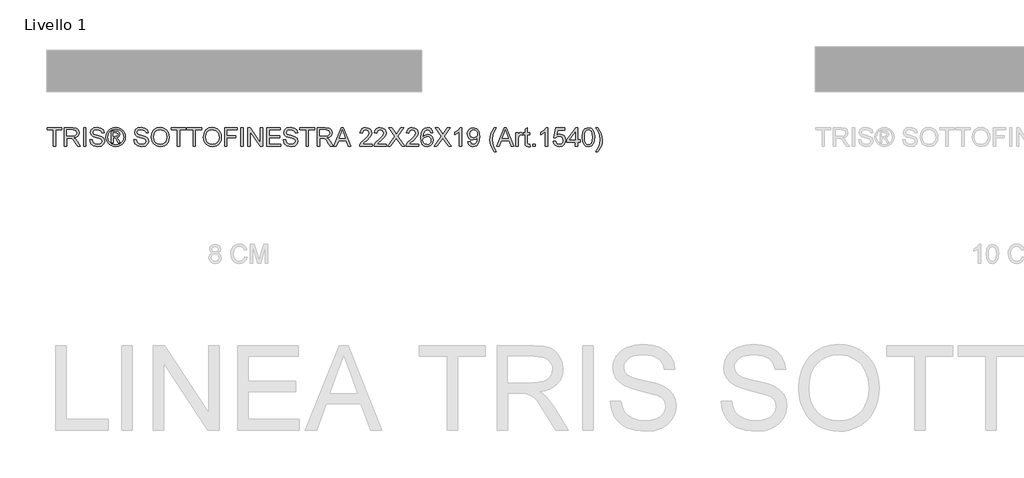
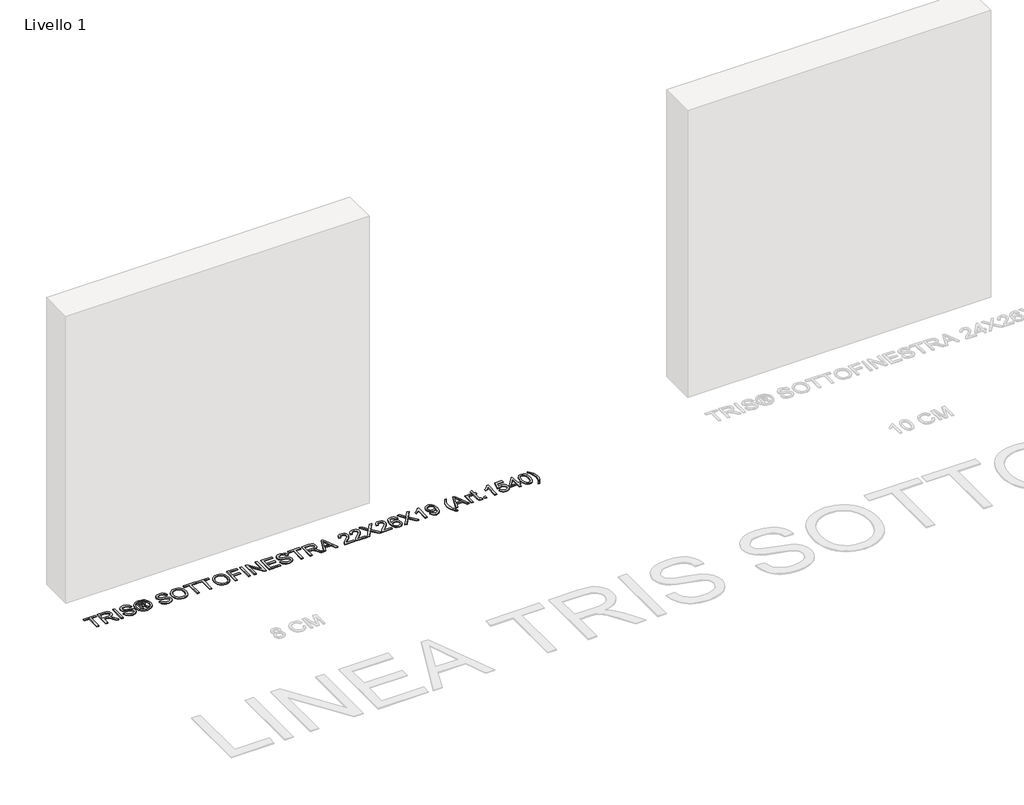
# One storey, part 13 of 19: 1 proxy.
"""IFC4 building model written with IfcOpenShell, lengths in millimetres."""

import ifcopenshell
import ifcopenshell.guid

model = None  # the IFC model being written
_history = None  # IfcOwnerHistory: only IFC2X3 demands one
_inside = {}  # id of a spatial element -> (the spatial element, [elements in it])
_under = {}  # id of a project, library or spatial element -> (it, [spatial elements below it])
_declared = {}  # id of a project -> (the project, [libraries it declares])
_typed = {}  # id of a type object -> (the type object, [elements of that type])
_made_of = {}  # id of a material, layer set ... -> (it, [elements and type objects made of it])


def new_model(schema):
    """Start an empty IFC model of exactly this schema.

    Asked for "IFC4X3", IfcOpenShell would pick the latest addendum, in which some entities
    have other attributes; the version numbers below select the first issue.
    IFC2X3 requires an IfcOwnerHistory on every rooted entity: one is made here for all.
    """
    global model, _history
    if schema == "IFC4X3":
        model = ifcopenshell.file(schema_version=(4, 3, 0, 0))
    else:
        model = ifcopenshell.file(schema=schema)
    _inside.clear()
    _under.clear()
    _declared.clear()
    _typed.clear()
    _made_of.clear()
    _history = None
    if model.schema == "IFC2X3":
        org = make("IfcOrganization", Name="unknown")
        user = make(
            "IfcPersonAndOrganization",
            ThePerson=make("IfcPerson", FamilyName="unknown"),
            TheOrganization=org,
        )
        app = make(
            "IfcApplication",
            ApplicationDeveloper=org,
            Version="unknown",
            ApplicationFullName="unknown",
            ApplicationIdentifier="unknown",
        )
        _history = make(
            "IfcOwnerHistory",
            OwningUser=user,
            OwningApplication=app,
            ChangeAction="ADDED",
            CreationDate=0,
        )
    return model


def make(cls, **values):
    """One entity of the class cls with the attributes given. An attribute that is None is left unset."""
    return model.create_entity(
        cls, **{name: value for name, value in values.items() if value is not None}
    )


def rooted(cls, **values):
    """An entity with a GlobalId (a new one), such as an element, a storey or a relation."""
    return make(cls, GlobalId=ifcopenshell.guid.new(), OwnerHistory=_history, **values)


def si_unit(unit_type, name, prefix=None):
    """IfcSIUnit, for example si_unit("LENGTHUNIT", "METRE", prefix="MILLI")."""
    return make("IfcSIUnit", UnitType=unit_type, Prefix=prefix, Name=name)


def assignment(units):
    """IfcUnitAssignment: the units of a project."""
    return None if units is None else make("IfcUnitAssignment", Units=units)


def point(xyz):
    """IfcCartesianPoint."""
    return None if xyz is None else make("IfcCartesianPoint", Coordinates=xyz)


def direction(xyz):
    """IfcDirection."""
    return None if xyz is None else make("IfcDirection", DirectionRatios=xyz)


def frame(location, z_axis=None, x_axis=None):
    """IfcAxis2Placement3D, a coordinate frame: its origin and axes. An axis left out is left unset."""
    return make(
        "IfcAxis2Placement3D",
        Location=point(location),
        Axis=direction(z_axis),
        RefDirection=direction(x_axis),
    )


def origin():
    """The frame at (0, 0, 0) with its axes left unset."""
    return frame((0.0, 0.0, 0.0))


def origin_with_axes():
    """The frame at (0, 0, 0) with the z axis (0, 0, 1) and the x axis (1, 0, 0) written out."""
    return frame((0.0, 0.0, 0.0), z_axis=(0.0, 0.0, 1.0), x_axis=(1.0, 0.0, 0.0))


def place(relative_to, where):
    """IfcLocalPlacement: puts the frame where relative to a parent placement (None: the world)."""
    return make(
        "IfcLocalPlacement", PlacementRelTo=relative_to, RelativePlacement=where
    )


def context(
    kind, dimensions, precision=None, world=None, true_north=None, identifier=None
):
    """IfcGeometricRepresentationContext, for example the 3D "Model" context."""
    return make(
        "IfcGeometricRepresentationContext",
        ContextIdentifier=identifier,
        ContextType=kind,
        CoordinateSpaceDimension=dimensions,
        Precision=precision,
        WorldCoordinateSystem=world,
        TrueNorth=true_north,
    )


def project(units=None, contexts=None):
    """IfcProject with its units and contexts."""
    return rooted(
        "IfcProject",
        Name="project",
        RepresentationContexts=contexts,
        UnitsInContext=assignment(units),
    )


def spatial(cls, under=None, at=None, **own):
    """A site, building, storey or space (cls), placed at a placement, below another one or the project."""
    s = rooted(cls, ObjectPlacement=at, **own)
    if under is not None:
        _under.setdefault(under.id(), (under, []))[1].append(s)
    return s


def polyline(points):
    """IfcPolyline through the points."""
    return make("IfcPolyline", Points=[point(p) for p in points])


def outline(outer, holes=None, kind="AREA"):
    """IfcArbitraryClosedProfileDef: a profile drawn as a closed curve; with holes, ...WithVoids."""
    if holes is None:
        return make("IfcArbitraryClosedProfileDef", ProfileType=kind, OuterCurve=outer)
    return make(
        "IfcArbitraryProfileDefWithVoids",
        ProfileType=kind,
        OuterCurve=outer,
        InnerCurves=holes,
    )


def extrude(swept, where, along, depth):
    """IfcExtrudedAreaSolid: the profile swept, set in the frame where, extruded along a direction by depth."""
    return make(
        "IfcExtrudedAreaSolid",
        SweptArea=swept,
        Position=where,
        ExtrudedDirection=direction(along),
        Depth=depth,
    )


def shape(context_of_items, identifier, shape_type, items):
    """IfcShapeRepresentation: the items that make up one representation, for example the "Body"."""
    return make(
        "IfcShapeRepresentation",
        ContextOfItems=context_of_items,
        RepresentationIdentifier=identifier,
        RepresentationType=shape_type,
        Items=items,
    )


def made_of(thing, what):
    """Note that an element or type object is made of a material, layer set ...; save() writes the relation."""
    if what is not None:
        _made_of.setdefault(what.id(), (what, []))[1].append(thing)
    return thing


def element(
    cls,
    number,
    at=None,
    inside=None,
    cuts=None,
    type_object=None,
    material=None,
    context=None,
    identifier="Body",
    shape_type=None,
    held_by="IfcProductDefinitionShape",
    body=None,
    shapes=None,
    **own,
):
    """One element of the class cls, such as IfcWall. Its Tag is "e" and its number.

    at: its placement. inside: the storey or other place that contains it. cuts: it is an
    opening in that element (IfcRelVoidsElement). A single representation is given by context,
    identifier, shape_type and body (its items); several are given by shapes. held_by: the class
    of the entity that holds the representations. save() writes the other relations.
    """
    e = rooted(cls, Tag="e%d" % number, ObjectPlacement=at, **own)
    if body is not None:
        shapes = [shape(context, identifier, shape_type, body)]
    if shapes is not None:
        e.Representation = make(held_by, Representations=shapes)
    if inside is not None:
        _inside.setdefault(inside.id(), (inside, []))[1].append(e)
    if cuts is not None:
        rooted(
            "IfcRelVoidsElement", RelatingBuildingElement=cuts, RelatedOpeningElement=e
        )
    if type_object is not None:
        _typed.setdefault(type_object.id(), (type_object, []))[1].append(e)
    return made_of(e, material)


def aggregate(whole, parts):
    """IfcRelAggregates: a whole, such as a stair, and the parts it consists of."""
    return rooted("IfcRelAggregates", RelatingObject=whole, RelatedObjects=parts)


def save(model, path):
    """Write the relations noted so far, then the file.

    IfcRelAggregates (storeys below a building ...), IfcRelContainedInSpatialStructure (elements
    in a storey), IfcRelDefinesByType, IfcRelAssociatesMaterial and IfcRelDeclares: one each for
    every whole, place, type object, material and project.
    """
    for whole, parts in _under.values():
        aggregate(whole, parts)
    for where, things in _inside.values():
        rooted(
            "IfcRelContainedInSpatialStructure",
            RelatedElements=things,
            RelatingStructure=where,
        )
    for kind, things in _typed.values():
        rooted("IfcRelDefinesByType", RelatedObjects=things, RelatingType=kind)
    for what, things in _made_of.values():
        rooted("IfcRelAssociatesMaterial", RelatedObjects=things, RelatingMaterial=what)
    for by, libraries in _declared.values():
        rooted("IfcRelDeclares", RelatingContext=by, RelatedDefinitions=libraries)
    model.write(path)


model = new_model("IFC4")

# Units and contexts
model_context = context("Model", 3, world=origin())
ifc_project = project(units=[si_unit("LENGTHUNIT", "METRE", prefix="MILLI")], contexts=[model_context])

# Site, building, storey
site = spatial("IfcSite", under=ifc_project)
building = spatial("IfcBuilding", under=site)
storey = spatial("IfcBuildingStorey", under=building, Name="Livello 1", Elevation=0.0)

# Proxy
placement = place(None, origin())
element("IfcBuildingElementProxy", 1, Name="100", ObjectType="100", at=placement, inside=storey, context=model_context, shape_type="SweptSolid", body=[
    extrude(outline(polyline([(-5200.6104208, 5626.2547253), (-5200.6104208, 5714.1539967), (-5233.5726476, 5714.1539967), (-5233.5726476, 5726.7110355), (-5155.0911553, 5726.7110355), (-5155.0911553, 5714.1539967), (-5188.053382, 5714.1539967), (-5188.053382, 5626.2547253), (-5200.6104208, 5626.2547253)])), origin_with_axes(), (0.0, 0.0, 1.0), 5.0),
    extrude(outline(polyline([(-5140.9644866, 5626.2547253), (-5140.9644866, 5726.7110355), (-5097.6770385, 5726.7110355), (-5077.5784189, 5724.0009714), (-5066.59101, 5714.4115141), (-5062.4829943, 5699.2179877), (-5064.1844486, 5689.321962), (-5069.2888112, 5681.1181935), (-5077.9493666, 5675.1033229), (-5090.3193986, 5671.7739909), (-5083.1824879, 5666.4029137), (-5073.0044194, 5653.477993), (-5056.2535259, 5626.2547253), (-5070.8461784, 5626.2547253), (-5083.9182519, 5647.0768463), (-5093.3605565, 5660.8601583), (-5099.9946951, 5667.3716697), (-5105.9666462, 5669.7629026), (-5113.2507097, 5670.204361), (-5128.4074479, 5670.204361), (-5128.4074479, 5626.2547253), (-5140.9644866, 5626.2547253)]), holes=[polyline([(-5128.4074479, 5682.7613998), (-5100.3012634, 5682.7613998), (-5085.9661284, 5684.5394961), (-5077.8236735, 5690.2294043), (-5075.0400331, 5698.7520038), (-5080.3497966, 5709.8129892), (-5097.1374783, 5714.1539967), (-5128.4074479, 5714.1539967), (-5128.4074479, 5682.7613998)])]), origin_with_axes(), (0.0, 0.0, 1.0), 5.0),
    extrude(outline(polyline([(-5038.9385466, 5626.2547253), (-5038.9385466, 5726.7110355), (-5026.3815079, 5726.7110355), (-5026.3815079, 5626.2547253), (-5038.9385466, 5626.2547253)])), origin_with_axes(), (0.0, 0.0, 1.0), 5.0),
    extrude(outline(polyline([(-5005.9763199, 5660.7865819), (-4993.4192811, 5660.7865819), (-4989.3725792, 5648.2172804), (-4979.4888162, 5640.2710293), (-4964.4301799, 5637.2421342), (-4951.3090554, 5639.5352654), (-4942.8355068, 5645.8383102), (-4940.0518663, 5654.2628079), (-4942.136531, 5662.0986944), (-4950.6713933, 5667.8008653), (-4968.9551284, 5672.595594), (-4988.6368152, 5678.7882742), (-4999.3176558, 5688.1324769), (-5002.8370602, 5700.6159393), (-4998.4837899, 5714.828447), (-4985.7673356, 5724.8593628), (-4967.1525067, 5728.2806653), (-4947.2868789, 5724.6999472), (-4934.0431271, 5714.1785222), (-4929.0644574, 5698.4576982), (-4941.6214962, 5698.4576982), (-4943.92689, 5705.9502282), (-4948.7338814, 5711.3580935), (-4966.6619973, 5715.7236266), (-4984.6391642, 5711.4071445), (-4990.2800214, 5700.9838213), (-4986.2823704, 5692.2772807), (-4965.7790805, 5685.2629974), (-4943.559008, 5678.9599525), (-4931.4066395, 5668.781884), (-4927.4948276, 5654.581639), (-4931.9952506, 5639.5597908), (-4944.9446969, 5628.5969074), (-4963.9396706, 5624.6850955), (-4986.3682095, 5628.9034757), (-5000.5561918, 5641.6076673), (-5005.9763199, 5660.7865819)])), origin_with_axes(), (0.0, 0.0, 1.0), 5.0),
    extrude(outline(polyline([(-4891.3933411, 5645.0902835), (-4891.3933411, 5707.8754773), (-4871.1107804, 5707.8754773), (-4856.0521441, 5706.1464319), (-4848.6331905, 5700.1131672), (-4845.8740756, 5690.9529055), (-4850.632016, 5679.0335289), (-4863.2381058, 5673.3436207), (-4858.3330125, 5670.0081573), (-4849.7736247, 5657.475644), (-4842.7348159, 5645.0902835), (-4853.3298173, 5645.0902835), (-4858.8480473, 5655.0476228), (-4868.0941481, 5669.468597), (-4876.1139756, 5671.7739909), (-4881.975562, 5671.7739909), (-4881.975562, 5645.0902835), (-4891.3933411, 5645.0902835)]), holes=[polyline([(-4881.975562, 5681.1917699), (-4870.0561854, 5681.1917699), (-4858.4065889, 5683.5830029), (-4855.2918547, 5689.922836), (-4856.7879081, 5694.4845727), (-4860.9449746, 5697.4766796), (-4870.8164749, 5698.4576982), (-4881.975562, 5698.4576982), (-4881.975562, 5681.1917699)])]), origin_with_axes(), (0.0, 0.0, 1.0), 5.0),
    extrude(outline(polyline([(-4867.824368, 5728.2806653), (-4854.930104, 5726.6068022), (-4842.3424084, 5721.585213), (-4831.2844888, 5713.4488896), (-4822.9795527, 5702.4308238), (-4817.7832196, 5689.7082381), (-4816.0511085, 5676.4583549), (-4817.7586941, 5663.3249677), (-4822.8814509, 5650.7066153), (-4831.0852194, 5639.7284034), (-4842.0358401, 5631.5154379), (-4854.6449955, 5626.3926811), (-4867.824368, 5624.6850955), (-4880.9853463, 5626.3926811), (-4893.5883704, 5631.5154379), (-4904.5481881, 5639.7284034), (-4912.7795478, 5650.7066153), (-4917.9298957, 5663.3249677), (-4919.6466783, 5676.4583549), (-4917.9053702, 5689.7082381), (-4912.6814459, 5702.4308238), (-4904.3489187, 5713.4488896), (-4893.281802, 5721.585213), (-4880.7002378, 5726.6068022), (-4867.824368, 5728.2806653)]), holes=[polyline([(-4867.824368, 5718.8628862), (-4888.6464889, 5713.3814445), (-4897.6749262, 5706.7197147), (-4904.5022029, 5697.6974088), (-4910.2288993, 5676.4583549), (-4904.6125675, 5655.4032421), (-4888.8917435, 5639.7192064), (-4867.824368, 5634.1028746), (-4846.7447296, 5639.7192064), (-4831.0606939, 5655.4032421), (-4825.4688876, 5676.4583549), (-4831.1587958, 5697.6974088), (-4837.9676784, 5706.7197147), (-4847.0145098, 5713.3814445), (-4867.824368, 5718.8628862)])]), origin_with_axes(), (0.0, 0.0, 1.0), 5.0),
    extrude(outline(polyline([(-4770.531843, 5660.7865819), (-4757.9748042, 5660.7865819), (-4753.9281023, 5648.2172804), (-4744.0443393, 5640.2710293), (-4728.985703, 5637.2421342), (-4715.8645785, 5639.5352654), (-4707.3910299, 5645.8383102), (-4704.6073894, 5654.2628079), (-4706.6920541, 5662.0986944), (-4715.2269164, 5667.8008653), (-4733.5106515, 5672.595594), (-4753.1923383, 5678.7882742), (-4763.8731789, 5688.1324769), (-4767.3925833, 5700.6159393), (-4763.039313, 5714.828447), (-4750.3228587, 5724.8593628), (-4731.7080297, 5728.2806653), (-4711.842402, 5724.6999472), (-4698.5986502, 5714.1785222), (-4693.6199805, 5698.4576982), (-4706.1770193, 5698.4576982), (-4708.4824131, 5705.9502282), (-4713.2894045, 5711.3580935), (-4731.2175204, 5715.7236266), (-4749.1946872, 5711.4071445), (-4754.8355445, 5700.9838213), (-4750.8378935, 5692.2772807), (-4730.3346036, 5685.2629974), (-4708.1145311, 5678.9599525), (-4695.9621625, 5668.781884), (-4692.0503507, 5654.581639), (-4696.5507737, 5639.5597908), (-4709.50022, 5628.5969074), (-4728.4951937, 5624.6850955), (-4750.9237326, 5628.9034757), (-4765.1117149, 5641.6076673), (-4770.531843, 5660.7865819)])), origin_with_axes(), (0.0, 0.0, 1.0), 5.0),
    extrude(outline(polyline([(-4677.923682, 5675.1585052), (-4674.5759559, 5697.3724464), (-4664.5327774, 5714.1785222), (-4649.1982296, 5724.7551295), (-4629.9763953, 5728.2806653), (-4616.8000885, 5726.6251963), (-4604.9849451, 5721.6587894), (-4595.1747586, 5713.7309324), (-4588.0133224, 5703.1911133), (-4583.6355267, 5690.5482354), (-4582.1762614, 5676.3112021), (-4583.7121688, 5661.8840966), (-4588.3198908, 5649.063409), (-4595.7449757, 5638.5051958), (-4605.7329719, 5630.865513), (-4617.4469477, 5626.2301999), (-4630.0499717, 5624.6850955), (-4643.4286136, 5626.3926811), (-4655.3112021, 5631.5154379), (-4665.0968631, 5639.5904477), (-4672.1847229, 5650.1547923), (-4677.923682, 5675.1585052)]), holes=[polyline([(-4665.3666433, 5675.0358779), (-4662.8558487, 5659.3211853), (-4655.3234648, 5647.3466264), (-4644.0018964, 5639.7682573), (-4630.1235481, 5637.2421342), (-4616.0428648, 5639.7927827), (-4604.7029023, 5647.4447282), (-4597.2257007, 5659.7871692), (-4594.7333002, 5676.409304), (-4599.0007313, 5697.1333231), (-4611.471931, 5710.8553215), (-4629.9028189, 5715.7236266), (-4643.4102195, 5713.3783788), (-4654.8942691, 5706.3426357), (-4662.7485497, 5693.8254508), (-4665.3666433, 5675.0358779)])]), origin_with_axes(), (0.0, 0.0, 1.0), 5.0),
    extrude(outline(polyline([(-4539.7962556, 5626.2547253), (-4539.7962556, 5714.1539967), (-4572.7584824, 5714.1539967), (-4572.7584824, 5726.7110355), (-4494.2769901, 5726.7110355), (-4494.2769901, 5714.1539967), (-4527.2392168, 5714.1539967), (-4527.2392168, 5626.2547253), (-4539.7962556, 5626.2547253)])), origin_with_axes(), (0.0, 0.0, 1.0), 5.0),
    extrude(outline(polyline([(-4455.0362439, 5626.2547253), (-4455.0362439, 5714.1539967), (-4487.9984707, 5714.1539967), (-4487.9984707, 5726.7110355), (-4409.5169784, 5726.7110355), (-4409.5169784, 5714.1539967), (-4442.4792051, 5714.1539967), (-4442.4792051, 5626.2547253), (-4455.0362439, 5626.2547253)])), origin_with_axes(), (0.0, 0.0, 1.0), 5.0),
    extrude(outline(polyline([(-4400.0991993, 5675.1585052), (-4396.7514731, 5697.3724464), (-4386.7082947, 5714.1785222), (-4371.3737468, 5724.7551295), (-4352.1519126, 5728.2806653), (-4338.9756058, 5726.6251963), (-4327.1604624, 5721.6587894), (-4317.3502758, 5713.7309324), (-4310.1888397, 5703.1911133), (-4305.8110439, 5690.5482354), (-4304.3517787, 5676.3112021), (-4305.887686, 5661.8840966), (-4310.495408, 5649.063409), (-4317.9204929, 5638.5051958), (-4327.9084891, 5630.865513), (-4339.622465, 5626.2301999), (-4352.225489, 5624.6850955), (-4365.6041309, 5626.3926811), (-4377.4867193, 5631.5154379), (-4387.2723804, 5639.5904477), (-4394.3602402, 5650.1547923), (-4400.0991993, 5675.1585052)]), holes=[polyline([(-4387.5421605, 5675.0358779), (-4385.0313659, 5659.3211853), (-4377.4989821, 5647.3466264), (-4366.1774137, 5639.7682573), (-4352.2990654, 5637.2421342), (-4338.218382, 5639.7927827), (-4326.8784195, 5647.4447282), (-4319.401218, 5659.7871692), (-4316.9088174, 5676.409304), (-4321.1762486, 5697.1333231), (-4333.6474482, 5710.8553215), (-4352.0783362, 5715.7236266), (-4365.5857368, 5713.3783788), (-4377.0697864, 5706.3426357), (-4384.924067, 5693.8254508), (-4387.5421605, 5675.0358779)])]), origin_with_axes(), (0.0, 0.0, 1.0), 5.0),
    extrude(outline(polyline([(-4287.0858504, 5626.2547253), (-4287.0858504, 5726.7110355), (-4219.591767, 5726.7110355), (-4219.591767, 5714.1539967), (-4274.5288116, 5714.1539967), (-4274.5288116, 5684.3310296), (-4227.4399162, 5684.3310296), (-4227.4399162, 5671.7739909), (-4274.5288116, 5671.7739909), (-4274.5288116, 5626.2547253), (-4287.0858504, 5626.2547253)])), origin_with_axes(), (0.0, 0.0, 1.0), 5.0),
    extrude(outline(polyline([(-4200.7562088, 5626.2547253), (-4200.7562088, 5726.7110355), (-4188.1991701, 5726.7110355), (-4188.1991701, 5626.2547253), (-4200.7562088, 5626.2547253)])), origin_with_axes(), (0.0, 0.0, 1.0), 5.0),
    extrude(outline(polyline([(-4163.0850925, 5626.2547253), (-4163.0850925, 5726.7110355), (-4149.645137, 5726.7110355), (-4097.160639, 5647.1258972), (-4097.160639, 5726.7110355), (-4084.6036002, 5726.7110355), (-4084.6036002, 5626.2547253), (-4098.0435558, 5626.2547253), (-4150.5280538, 5705.8643891), (-4150.5280538, 5626.2547253), (-4163.0850925, 5626.2547253)])), origin_with_axes(), (0.0, 0.0, 1.0), 5.0),
    extrude(outline(polyline([(-4062.6287824, 5626.2547253), (-4062.6287824, 5726.7110355), (-3990.4258095, 5726.7110355), (-3990.4258095, 5714.1539967), (-4050.0717436, 5714.1539967), (-4050.0717436, 5684.3310296), (-3993.5650692, 5684.3310296), (-3993.5650692, 5671.7739909), (-4050.0717436, 5671.7739909), (-4050.0717436, 5638.8117641), (-3988.8561796, 5638.8117641), (-3988.8561796, 5626.2547253), (-4062.6287824, 5626.2547253)])), origin_with_axes(), (0.0, 0.0, 1.0), 5.0),
    extrude(outline(polyline([(-3974.729511, 5660.7865819), (-3962.1724722, 5660.7865819), (-3958.1257703, 5648.2172804), (-3948.2420073, 5640.2710293), (-3933.183371, 5637.2421342), (-3920.0622465, 5639.5352654), (-3911.5886979, 5645.8383102), (-3908.8050575, 5654.2628079), (-3910.8897221, 5662.0986944), (-3919.4245844, 5667.8008653), (-3937.7083196, 5672.595594), (-3957.3900063, 5678.7882742), (-3968.0708469, 5688.1324769), (-3971.5902513, 5700.6159393), (-3967.236981, 5714.828447), (-3954.5205267, 5724.8593628), (-3935.9056978, 5728.2806653), (-3916.04007, 5724.6999472), (-3902.7963182, 5714.1785222), (-3897.8176485, 5698.4576982), (-3910.3746873, 5698.4576982), (-3912.6800811, 5705.9502282), (-3917.4870726, 5711.3580935), (-3935.4151884, 5715.7236266), (-3953.3923553, 5711.4071445), (-3959.0332125, 5700.9838213), (-3955.0355615, 5692.2772807), (-3934.5322717, 5685.2629974), (-3912.3121992, 5678.9599525), (-3900.1598306, 5668.781884), (-3896.2480187, 5654.581639), (-3900.7484418, 5639.5597908), (-3913.697888, 5628.5969074), (-3932.6928617, 5624.6850955), (-3955.1214007, 5628.9034757), (-3969.3093829, 5641.6076673), (-3974.729511, 5660.7865819)])), origin_with_axes(), (0.0, 0.0, 1.0), 5.0),
    extrude(outline(polyline([(-3852.298383, 5626.2547253), (-3852.298383, 5714.1539967), (-3885.2606098, 5714.1539967), (-3885.2606098, 5726.7110355), (-3806.7791175, 5726.7110355), (-3806.7791175, 5714.1539967), (-3839.7413442, 5714.1539967), (-3839.7413442, 5626.2547253), (-3852.298383, 5626.2547253)])), origin_with_axes(), (0.0, 0.0, 1.0), 5.0),
    extrude(outline(polyline([(-3792.6524489, 5626.2547253), (-3792.6524489, 5726.7110355), (-3749.3650008, 5726.7110355), (-3729.2663811, 5724.0009714), (-3718.2789722, 5714.4115141), (-3714.1709565, 5699.2179877), (-3715.8724108, 5689.321962), (-3720.9767735, 5681.1181935), (-3729.6373288, 5675.1033229), (-3742.0073609, 5671.7739909), (-3734.8704501, 5666.4029137), (-3724.6923816, 5653.477993), (-3707.9414881, 5626.2547253), (-3722.5341406, 5626.2547253), (-3735.6062141, 5647.0768463), (-3745.0485187, 5660.8601583), (-3751.6826573, 5667.3716697), (-3757.6546084, 5669.7629026), (-3764.9386719, 5670.204361), (-3780.0954101, 5670.204361), (-3780.0954101, 5626.2547253), (-3792.6524489, 5626.2547253)]), holes=[polyline([(-3780.0954101, 5682.7613998), (-3751.9892257, 5682.7613998), (-3737.6540906, 5684.5394961), (-3729.5116357, 5690.2294043), (-3726.7279953, 5698.7520038), (-3732.0377588, 5709.8129892), (-3748.8254405, 5714.1539967), (-3780.0954101, 5714.1539967), (-3780.0954101, 5682.7613998)])]), origin_with_axes(), (0.0, 0.0, 1.0), 5.0),
    extrude(outline(polyline([(-3703.8947862, 5626.2547253), (-3663.7956487, 5726.7110355), (-3653.1025454, 5726.7110355), (-3613.0034079, 5626.2547253), (-3626.2716852, 5626.2547253), (-3637.7741289, 5657.6473222), (-3679.1485906, 5657.6473222), (-3690.6265089, 5626.2547253), (-3703.8947862, 5626.2547253)]), holes=[polyline([(-3674.5378029, 5670.204361), (-3642.3603911, 5670.204361), (-3651.4102882, 5694.9015056), (-3658.449097, 5714.1539967), (-3664.7030909, 5697.0597467), (-3674.5378029, 5670.204361)])]), origin_with_axes(), (0.0, 0.0, 1.0), 5.0),
    extrude(outline(polyline([(-3500.7012975, 5638.8117641), (-3500.7012975, 5626.2547253), (-3566.625751, 5626.2547253), (-3565.2768504, 5634.9122149), (-3557.6494303, 5648.2418059), (-3541.9286064, 5662.7976702), (-3520.2480942, 5683.717893), (-3514.8279661, 5697.9426635), (-3519.9415258, 5709.4573699), (-3533.2956423, 5714.1539967), (-3547.2138444, 5709.5677345), (-3552.4990824, 5696.8880684), (-3565.0561212, 5698.4576982), (-3562.0118977, 5710.6039355), (-3555.4298756, 5719.4760229), (-3545.6534116, 5724.9022823), (-3533.0258621, 5726.7110355), (-3520.3063421, 5724.6999472), (-3510.5482722, 5718.6666825), (-3504.3402636, 5709.6535736), (-3502.2709273, 5698.7029529), (-3504.5027448, 5686.795839), (-3511.9216983, 5674.4840549), (-3529.9111279, 5657.2794403), (-3544.3566276, 5645.2006481), (-3550.0220103, 5638.8117641), (-3500.7012975, 5638.8117641)])), origin_with_axes(), (0.0, 0.0, 1.0), 5.0),
    extrude(outline(polyline([(-3423.789435, 5638.8117641), (-3423.789435, 5626.2547253), (-3489.7138886, 5626.2547253), (-3488.3649879, 5634.9122149), (-3480.7375679, 5648.2418059), (-3465.0167439, 5662.7976702), (-3443.3362317, 5683.717893), (-3437.9161036, 5697.9426635), (-3443.0296634, 5709.4573699), (-3456.3837798, 5714.1539967), (-3470.3019819, 5709.5677345), (-3475.5872199, 5696.8880684), (-3488.1442587, 5698.4576982), (-3485.1000352, 5710.6039355), (-3478.5180132, 5719.4760229), (-3468.7415492, 5724.9022823), (-3456.1139997, 5726.7110355), (-3443.3944797, 5724.6999472), (-3433.6364098, 5718.6666825), (-3427.4284011, 5709.6535736), (-3425.3590649, 5698.7029529), (-3427.5908823, 5686.795839), (-3435.0098359, 5674.4840549), (-3452.9992654, 5657.2794403), (-3467.4447651, 5645.2006481), (-3473.1101478, 5638.8117641), (-3423.789435, 5638.8117641)])), origin_with_axes(), (0.0, 0.0, 1.0), 5.0),
    extrude(outline(polyline([(-3417.5109156, 5626.2547253), (-3378.7852043, 5680.9955662), (-3411.2323963, 5726.7110355), (-3396.1737599, 5726.7110355), (-3377.9022875, 5700.9838213), (-3371.7463954, 5690.9529055), (-3364.5359083, 5701.1554995), (-3346.4606396, 5726.7110355), (-3331.1812741, 5726.7110355), (-3363.6284661, 5680.8484134), (-3324.9027547, 5626.2547253), (-3339.9613911, 5626.2547253), (-3365.7621817, 5662.6505174), (-3371.1332588, 5670.204361), (-3377.0438962, 5661.9147534), (-3402.2315501, 5626.2547253), (-3417.5109156, 5626.2547253)])), origin_with_axes(), (0.0, 0.0, 1.0), 5.0),
    extrude(outline(polyline([(-3252.6997818, 5638.8117641), (-3252.6997818, 5626.2547253), (-3318.6242353, 5626.2547253), (-3317.2753347, 5634.9122149), (-3309.6479147, 5648.2418059), (-3293.9270907, 5662.7976702), (-3272.2465785, 5683.717893), (-3266.8264504, 5697.9426635), (-3271.9400101, 5709.4573699), (-3285.2941266, 5714.1539967), (-3299.2123287, 5709.5677345), (-3304.4975667, 5696.8880684), (-3317.0546055, 5698.4576982), (-3314.010382, 5710.6039355), (-3307.4283599, 5719.4760229), (-3297.6518959, 5724.9022823), (-3285.0243464, 5726.7110355), (-3272.3048265, 5724.6999472), (-3262.5467565, 5718.6666825), (-3256.3387479, 5709.6535736), (-3254.2694116, 5698.7029529), (-3256.5012291, 5686.795839), (-3263.9201827, 5674.4840549), (-3281.9096122, 5657.2794403), (-3296.3551119, 5645.2006481), (-3302.0204946, 5638.8117641), (-3252.6997818, 5638.8117641)])), origin_with_axes(), (0.0, 0.0, 1.0), 5.0),
    extrude(outline(polyline([(-3175.7879193, 5700.0273281), (-3188.3449581, 5698.4576982), (-3193.1028986, 5708.9300724), (-3205.6844628, 5714.1539967), (-3217.0152283, 5711.1128389), (-3225.5868788, 5699.6962343), (-3229.1553341, 5677.3167463), (-3218.0820861, 5687.3353993), (-3204.3600876, 5690.609549), (-3192.7595421, 5688.3716002), (-3183.0229319, 5681.6577538), (-3176.4194501, 5671.3999775), (-3174.2182895, 5658.530239), (-3178.3630933, 5641.2029971), (-3189.7674352, 5628.9402639), (-3206.2240231, 5624.6850955), (-3220.4702533, 5627.5055241), (-3231.8163472, 5635.96681), (-3239.2383665, 5650.902819), (-3241.7123729, 5673.147417), (-3238.9655206, 5698.1572613), (-3230.724964, 5715.2576427), (-3219.4739063, 5723.8476873), (-3204.8996479, 5726.7110355), (-3193.8815821, 5724.9390705), (-3185.0585456, 5719.6231757), (-3178.8781281, 5711.1802839), (-3175.7879193, 5700.0273281)]), holes=[polyline([(-3229.1553341, 5658.7264428), (-3226.2490663, 5647.8493984), (-3218.5235444, 5639.9521983), (-3207.2050417, 5637.2421342), (-3198.9184998, 5638.6462172), (-3192.4039228, 5642.858466), (-3188.1824769, 5649.480342), (-3186.7753283, 5658.1133061), (-3188.1640828, 5666.3998481), (-3192.3303464, 5672.7182213), (-3198.955288, 5676.718938), (-3207.7200765, 5678.0525102), (-3222.9136029, 5672.7182213), (-3227.5949013, 5666.5531322), (-3229.1553341, 5658.7264428)])]), origin_with_axes(), (0.0, 0.0, 1.0), 5.0),
    extrude(outline(polyline([(-3169.5094, 5626.2547253), (-3130.7836886, 5680.9955662), (-3163.2308806, 5726.7110355), (-3148.1722442, 5726.7110355), (-3129.9007718, 5700.9838213), (-3123.7448798, 5690.9529055), (-3116.5343927, 5701.1554995), (-3098.459124, 5726.7110355), (-3083.1797584, 5726.7110355), (-3115.6269504, 5680.8484134), (-3076.901239, 5626.2547253), (-3091.9598754, 5626.2547253), (-3117.760666, 5662.6505174), (-3123.1317431, 5670.204361), (-3129.0423805, 5661.9147534), (-3154.2300344, 5626.2547253), (-3169.5094, 5626.2547253)])), origin_with_axes(), (0.0, 0.0, 1.0), 5.0),
    extrude(outline(polyline([(-3021.9641944, 5626.2547253), (-3034.5212332, 5626.2547253), (-3034.5212332, 5704.5400139), (-3046.4160844, 5696.0664653), (-3059.6353107, 5689.7266322), (-3059.6353107, 5701.5969579), (-3041.2289482, 5713.3446563), (-3030.0575983, 5726.7110355), (-3021.9641944, 5726.7110355), (-3021.9641944, 5626.2547253)])), origin_with_axes(), (0.0, 0.0, 1.0), 5.0),
    extrude(outline(polyline([(-2990.5715975, 5651.3688029), (-2978.0145587, 5652.9384327), (-2972.3737015, 5640.9577424), (-2961.6805981, 5637.2421342), (-2951.5147923, 5639.6333672), (-2944.6231363, 5646.0222512), (-2940.5151207, 5656.9360837), (-2938.7002362, 5671.5042107), (-2938.7738126, 5673.9567574), (-2948.8169911, 5664.4408764), (-2962.5880404, 5660.7865819), (-2974.0383675, 5663.0183994), (-2983.5695769, 5669.7138517), (-2989.9983147, 5680.0574671), (-2992.1412273, 5693.2337739), (-2989.8940815, 5706.8454077), (-2983.1526439, 5717.5139856), (-2973.026692, 5724.411773), (-2960.6260031, 5726.7110355), (-2942.7346754, 5721.4625857), (-2930.4228913, 5706.5020512), (-2926.2167738, 5678.3958668), (-2930.4106286, 5647.8984494), (-2935.6253558, 5637.9073875), (-2942.8818282, 5630.6202583), (-2951.8673459, 5626.1688862), (-2962.2692093, 5624.6850955), (-2973.0052322, 5626.4356006), (-2981.5707514, 5631.6871161), (-2987.5610965, 5640.1085481), (-2990.5715975, 5651.3688029)]), holes=[polyline([(-2938.7738126, 5693.5280795), (-2940.1288446, 5702.0384163), (-2944.1939406, 5708.5867158), (-2950.5031169, 5712.7621765), (-2958.5903894, 5714.1539967), (-2966.9780989, 5712.6548776), (-2973.6980767, 5708.1575202), (-2978.1126606, 5701.2750612), (-2979.5841886, 5692.6206373), (-2978.1923684, 5684.8613928), (-2974.0169077, 5678.7024351), (-2967.4624768, 5674.6833243), (-2958.9337459, 5673.3436207), (-2944.451458, 5678.7024351), (-2940.1932239, 5685.0882534), (-2938.7738126, 5693.5280795)])]), origin_with_axes(), (0.0, 0.0, 1.0), 5.0),
    extrude(outline(polyline([(-2847.7352815, 5598.0013881), (-2865.5652955, 5627.4564732), (-2871.0283432, 5644.6365624), (-2872.849359, 5662.4297882), (-2867.4047055, 5692.9639938), (-2847.7352815, 5726.7110355), (-2838.3175024, 5726.7110355), (-2850.0652008, 5706.8208823), (-2857.1285351, 5687.5438657), (-2860.2923203, 5662.3562118), (-2854.7986158, 5630.1665372), (-2838.3175024, 5598.0013881), (-2847.7352815, 5598.0013881)])), origin_with_axes(), (0.0, 0.0, 1.0), 5.0),
    extrude(outline(polyline([(-2835.8894813, 5626.2547253), (-2795.7903438, 5726.7110355), (-2785.0972405, 5726.7110355), (-2744.998103, 5626.2547253), (-2758.2663803, 5626.2547253), (-2769.768824, 5657.6473222), (-2811.1432857, 5657.6473222), (-2822.621204, 5626.2547253), (-2835.8894813, 5626.2547253)]), holes=[polyline([(-2806.532498, 5670.204361), (-2774.3550862, 5670.204361), (-2783.4049833, 5694.9015056), (-2790.4437921, 5714.1539967), (-2796.697786, 5697.0597467), (-2806.532498, 5670.204361)])]), origin_with_axes(), (0.0, 0.0, 1.0), 5.0),
    extrude(outline(polyline([(-2733.1523027, 5626.2547253), (-2733.1523027, 5700.0273281), (-2722.1648938, 5700.0273281), (-2722.1648938, 5689.1134956), (-2714.3657955, 5699.1689368), (-2706.5176463, 5701.5969579), (-2693.9115566, 5697.7219343), (-2698.1054113, 5686.4647452), (-2706.9345792, 5689.0399192), (-2714.0347017, 5686.5628471), (-2718.5596503, 5679.6957165), (-2720.595264, 5665.0294876), (-2720.595264, 5626.2547253), (-2733.1523027, 5626.2547253)])), origin_with_axes(), (0.0, 0.0, 1.0), 5.0),
    extrude(outline(polyline([(-2659.3797, 5636.7270995), (-2657.8100701, 5625.8868433), (-2667.2033237, 5624.6850955), (-2677.7247488, 5626.7697601), (-2682.9731986, 5632.2389391), (-2684.4937775, 5646.4882351), (-2684.4937775, 5687.4702893), (-2693.9115566, 5687.4702893), (-2693.9115566, 5700.0273281), (-2684.4937775, 5700.0273281), (-2684.4937775, 5717.955444), (-2671.9367387, 5725.3376094), (-2671.9367387, 5700.0273281), (-2659.3797, 5700.0273281), (-2659.3797, 5687.4702893), (-2671.9367387, 5687.4702893), (-2671.9367387, 5646.8561171), (-2671.2745512, 5640.3813939), (-2669.1285729, 5638.0882628), (-2664.848879, 5637.2421342), (-2659.3797, 5636.7270995)])), origin_with_axes(), (0.0, 0.0, 1.0), 5.0),
    extrude(outline(polyline([(-2643.6834015, 5626.2547253), (-2643.6834015, 5638.8117641), (-2631.1263627, 5638.8117641), (-2631.1263627, 5626.2547253), (-2643.6834015, 5626.2547253)])), origin_with_axes(), (0.0, 0.0, 1.0), 5.0),
    extrude(outline(polyline([(-2563.6322794, 5626.2547253), (-2576.1893181, 5626.2547253), (-2576.1893181, 5704.5400139), (-2588.0841693, 5696.0664653), (-2601.3033957, 5689.7266322), (-2601.3033957, 5701.5969579), (-2582.8970332, 5713.3446563), (-2571.7256833, 5726.7110355), (-2563.6322794, 5726.7110355), (-2563.6322794, 5626.2547253)])), origin_with_axes(), (0.0, 0.0, 1.0), 5.0),
    extrude(outline(polyline([(-2533.8093123, 5652.9384327), (-2521.2522735, 5654.5080626), (-2514.9247032, 5641.5708791), (-2501.8035787, 5637.2421342), (-2492.8027326, 5638.7473847), (-2486.0582293, 5643.2631362), (-2481.8459805, 5650.2682226), (-2480.4418975, 5659.2414776), (-2485.7026101, 5674.1529611), (-2492.3091576, 5678.2548453), (-2501.607375, 5679.6221401), (-2512.6315721, 5677.4393736), (-2519.6826437, 5671.7739909), (-2532.2396824, 5673.3436207), (-2521.2522735, 5725.1414056), (-2472.5937483, 5725.1414056), (-2472.5937483, 5712.5843669), (-2511.0987305, 5712.5843669), (-2516.4698076, 5684.9196408), (-2507.4996183, 5690.3642944), (-2498.1002333, 5692.1791789), (-2486.3678633, 5689.9289673), (-2476.6281875, 5683.1783327), (-2470.0706909, 5672.8898996), (-2467.8848588, 5660.0262925), (-2469.8530274, 5647.4692537), (-2475.7575335, 5636.7270995), (-2487.0637734, 5627.6955965), (-2501.8526296, 5624.6850955), (-2514.1858735, 5626.6195416), (-2524.0113885, 5632.4228801), (-2530.7466947, 5641.4206606), (-2533.8093123, 5652.9384327)])), origin_with_axes(), (0.0, 0.0, 1.0), 5.0),
    extrude(outline(polyline([(-2416.0870738, 5626.2547253), (-2416.0870738, 5649.799173), (-2461.6063394, 5649.799173), (-2461.6063394, 5662.3562118), (-2412.9478141, 5725.1414056), (-2403.5300351, 5725.1414056), (-2403.5300351, 5662.3562118), (-2390.9729963, 5662.3562118), (-2390.9729963, 5649.799173), (-2403.5300351, 5649.799173), (-2403.5300351, 5626.2547253), (-2416.0870738, 5626.2547253)]), holes=[polyline([(-2416.0870738, 5662.3562118), (-2416.0870738, 5701.1554995), (-2446.1552956, 5662.3562118), (-2416.0870738, 5662.3562118)])]), origin_with_axes(), (0.0, 0.0, 1.0), 5.0),
    extrude(outline(polyline([(-2379.9855874, 5675.67354), (-2376.2945047, 5704.5768021), (-2365.3316212, 5721.2418565), (-2347.0233606, 5726.7110355), (-2332.3571317, 5723.4736739), (-2322.2281141, 5714.141734), (-2316.3420022, 5699.2793014), (-2314.0611338, 5675.67354), (-2317.7154283, 5646.8929053), (-2328.6415236, 5630.1910627), (-2336.8728832, 5626.0615873), (-2347.0233606, 5624.6850955), (-2360.0709087, 5627.0763284), (-2369.9791971, 5634.2500274), (-2377.4839898, 5651.2400442), (-2379.9855874, 5675.67354)]), holes=[polyline([(-2367.4285486, 5675.6980655), (-2365.9570206, 5655.945868), (-2361.5424367, 5644.513935), (-2354.9696117, 5639.0600844), (-2347.0233606, 5637.2421342), (-2339.0771095, 5639.0662158), (-2332.5042845, 5644.5384605), (-2328.0897006, 5655.9765249), (-2326.6181726, 5675.6980655), (-2328.0406497, 5695.0057389), (-2332.3080808, 5706.5265767), (-2338.868643, 5712.2471417), (-2347.1705134, 5714.1539967), (-2355.0309254, 5712.4740023), (-2361.346233, 5707.4340189), (-2365.9079697, 5695.1958112), (-2367.4285486, 5675.6980655)])]), origin_with_axes(), (0.0, 0.0, 1.0), 5.0),
    extrude(outline(polyline([(-2296.7952055, 5598.0013881), (-2306.2129846, 5598.0013881), (-2289.7318712, 5630.1665372), (-2284.2381668, 5662.3562118), (-2287.4019519, 5687.3231365), (-2294.3917098, 5706.6246785), (-2306.2129846, 5726.7110355), (-2296.7952055, 5726.7110355), (-2277.1257815, 5692.9639938), (-2271.681128, 5662.4297882), (-2273.5113409, 5644.6365624), (-2279.0019797, 5627.4564732), (-2296.7952055, 5598.0013881)])), origin_with_axes(), (0.0, 0.0, 1.0), 5.0),
])

save(model, "model.ifc")
